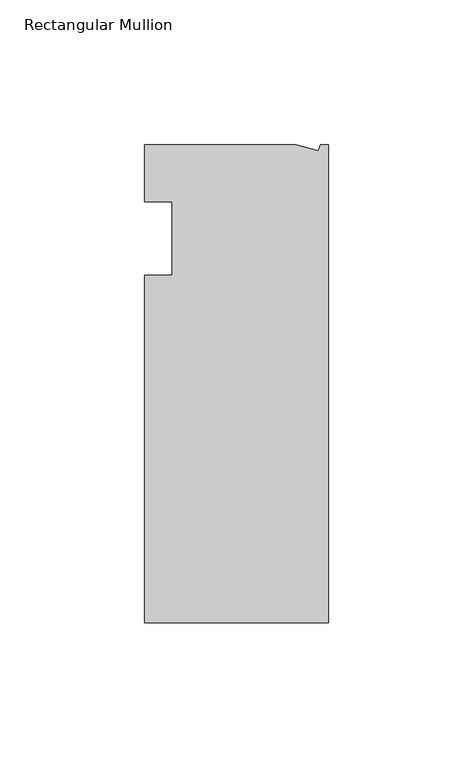
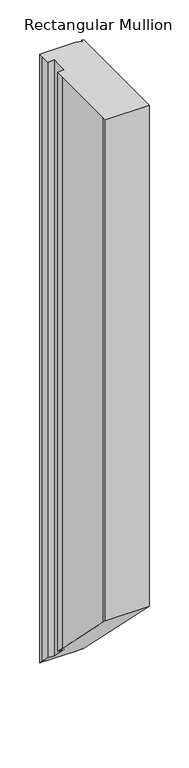
"""IFC4 building model written with IfcOpenShell, lengths in millimetres: member geometry, Rectangular Mullion."""

from ifc_helpers import new_model, si_unit, origin, place, context, project, spatial, faceted_brep, source, transform, mapped, element, save


def rectangular_mullion_0df52825(model_context):
    return source(origin(), model_context, "Body", "Brep", [
        faceted_brep([(-11.1265412, 19.6597595, 0.0), (-63.5, 19.6597595, 0.0), (-63.5, 13.6200033, 0.0), (-63.5, 0.0, 0.0), (-53.975, 0.0, 0.0), (-53.975, -25.4, 0.0), (-63.5, -25.4, 0.0), (-63.5, -38.3358837, 0.0), (-63.5, -139.091245, 0.0), (-63.5, -145.4402405, 0.0), (0.0, -145.4402405, 0.0), (0.0, 19.6597595, 0.0), (-2.787084, 19.6597595, 0.0), (-3.3457217, 17.5748952, 0.0), (-11.1265412, 19.6597595, -934.0597595), (-63.5, 19.6597595, -934.0597595), (-63.5, 13.6200033, -928.0200033), (-63.5, 0.0, -914.4), (-53.975, 0.0, -914.4), (-53.975, -25.4, -889.0), (-63.5, -25.4, -889.0), (-63.5, -38.3358837, -876.0641163), (-63.5, -139.091245, -775.308755), (-63.5, -145.4402405, -768.9597595), (0.0, -145.4402405, -768.9597595), (0.0, 19.6597595, -934.0597595), (-2.787084, 19.6597595, -934.0597595), (-3.3457217, 17.5748952, -931.9748952)], [[[0, 1, 2, 3, 4, 5, 6, 7, 8, 9, 10, 11, 12, 13]], [[1, 0, 14, 15]], [[3, 2, 16, 17]], [[4, 3, 17, 18]], [[5, 4, 18, 19]], [[6, 5, 19, 20]], [[8, 7, 21, 22]], [[10, 9, 23, 24]], [[11, 10, 24, 25]], [[12, 11, 25, 26]], [[13, 12, 26, 27]], [[0, 13, 27, 14]], [[14, 27, 26, 25, 24, 23, 22, 21, 20, 19, 18, 17, 16, 15]], [[9, 8, 22, 23]], [[2, 1, 15, 16]], [[7, 6, 20, 21]]]),
    ])


if __name__ == "__main__":
    model = new_model("IFC4")
    model_context = context("Model", 3, world=origin())
    ifc_project = project(units=[si_unit("LENGTHUNIT", "METRE", prefix="MILLI")], contexts=[model_context])
    site = spatial("IfcSite", under=ifc_project)
    building = spatial("IfcBuilding", under=site)
    placement = place(None, origin())
    rectangular_mullion_shape = rectangular_mullion_0df52825(model_context)
    element("IfcMember", 1, ObjectType="Rectangular Mullion", at=placement, inside=building, context=model_context, shape_type="MappedRepresentation", body=[
        mapped(rectangular_mullion_shape, transform((0.0, 0.0, 0.0), x_axis=(1.0, 0.0, 0.0), y_axis=(0.0, 1.0, 0.0), z_axis=(0.0, 0.0, 1.0))),
    ])
    save(model, "model.ifc")
